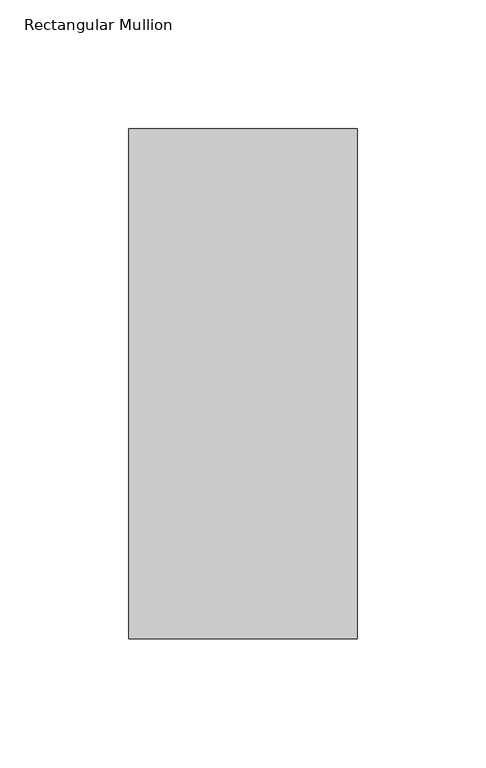
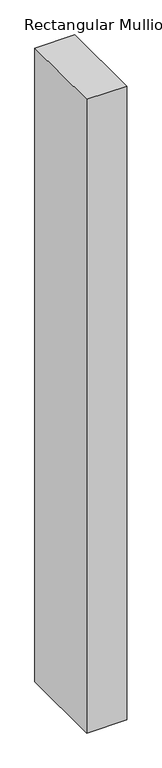
"""IFC4 building model written with IfcOpenShell, lengths in millimetres: member geometry, Rectangular Mullion."""

from ifc_helpers import new_model, si_unit, frame, origin, place, context, project, spatial, polyline, outline, extrude, source, transform, mapped, element, save


def rectangular_mullion_ffde38fe(model_context):
    return source(origin(), model_context, "Body", "SweptSolid", [
        extrude(outline(polyline([(-88.9, 42.06875), (0.0, 42.06875), (0.0, -156.36875), (-88.9, -156.36875), (-88.9, 42.06875)])), frame((0.0, 0.0, -1485.9), z_axis=(0.0, 0.0, 1.0), x_axis=(1.0, 0.0, 0.0)), (0.0, 0.0, 1.0), 1485.9),
    ])


if __name__ == "__main__":
    model = new_model("IFC4")
    model_context = context("Model", 3, world=origin())
    ifc_project = project(units=[si_unit("LENGTHUNIT", "METRE", prefix="MILLI")], contexts=[model_context])
    site = spatial("IfcSite", under=ifc_project)
    building = spatial("IfcBuilding", under=site)
    placement = place(None, origin())
    rectangular_mullion_shape = rectangular_mullion_ffde38fe(model_context)
    element("IfcMember", 1, ObjectType="Rectangular Mullion", at=placement, inside=building, context=model_context, shape_type="MappedRepresentation", body=[
        mapped(rectangular_mullion_shape, transform((0.0, 0.0, 0.0), x_axis=(1.0, 0.0, 0.0), y_axis=(0.0, 1.0, 0.0), z_axis=(0.0, 0.0, 1.0))),
    ])
    save(model, "model.ifc")
